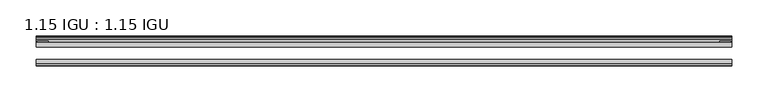
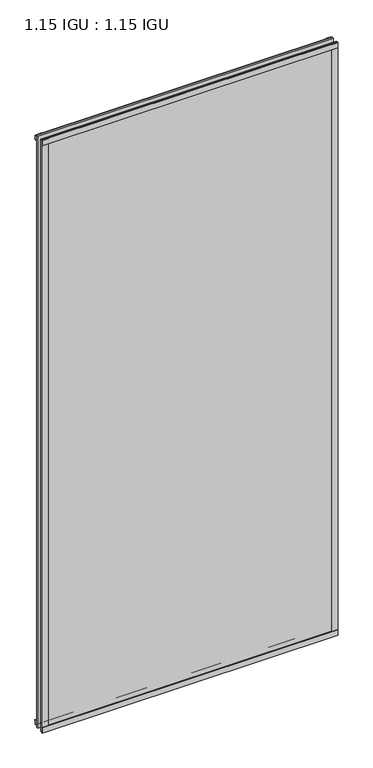
"""IFC4 building model written with IfcOpenShell, lengths in millimetres: plate geometry, 1.15 IGU : 1.15 IGU."""

import ifcopenshell
import ifcopenshell.guid

model = None  # the IFC model being written
_history = None  # IfcOwnerHistory: only IFC2X3 demands one
_inside = {}  # id of a spatial element -> (the spatial element, [elements in it])
_under = {}  # id of a project, library or spatial element -> (it, [spatial elements below it])
_declared = {}  # id of a project -> (the project, [libraries it declares])
_typed = {}  # id of a type object -> (the type object, [elements of that type])
_made_of = {}  # id of a material, layer set ... -> (it, [elements and type objects made of it])


def new_model(schema):
    """Start an empty IFC model of exactly this schema.

    Asked for "IFC4X3", IfcOpenShell would pick the latest addendum, in which some entities
    have other attributes; the version numbers below select the first issue.
    IFC2X3 requires an IfcOwnerHistory on every rooted entity: one is made here for all.
    """
    global model, _history
    if schema == "IFC4X3":
        model = ifcopenshell.file(schema_version=(4, 3, 0, 0))
    else:
        model = ifcopenshell.file(schema=schema)
    _inside.clear()
    _under.clear()
    _declared.clear()
    _typed.clear()
    _made_of.clear()
    _history = None
    if model.schema == "IFC2X3":
        org = make("IfcOrganization", Name="unknown")
        user = make(
            "IfcPersonAndOrganization",
            ThePerson=make("IfcPerson", FamilyName="unknown"),
            TheOrganization=org,
        )
        app = make(
            "IfcApplication",
            ApplicationDeveloper=org,
            Version="unknown",
            ApplicationFullName="unknown",
            ApplicationIdentifier="unknown",
        )
        _history = make(
            "IfcOwnerHistory",
            OwningUser=user,
            OwningApplication=app,
            ChangeAction="ADDED",
            CreationDate=0,
        )
    return model


def make(cls, **values):
    """One entity of the class cls with the attributes given. An attribute that is None is left unset."""
    return model.create_entity(
        cls, **{name: value for name, value in values.items() if value is not None}
    )


def rooted(cls, **values):
    """An entity with a GlobalId (a new one), such as an element, a storey or a relation."""
    return make(cls, GlobalId=ifcopenshell.guid.new(), OwnerHistory=_history, **values)


def si_unit(unit_type, name, prefix=None):
    """IfcSIUnit, for example si_unit("LENGTHUNIT", "METRE", prefix="MILLI")."""
    return make("IfcSIUnit", UnitType=unit_type, Prefix=prefix, Name=name)


def assignment(units):
    """IfcUnitAssignment: the units of a project."""
    return None if units is None else make("IfcUnitAssignment", Units=units)


def point(xyz):
    """IfcCartesianPoint."""
    return None if xyz is None else make("IfcCartesianPoint", Coordinates=xyz)


def direction(xyz):
    """IfcDirection."""
    return None if xyz is None else make("IfcDirection", DirectionRatios=xyz)


def frame(location, z_axis=None, x_axis=None):
    """IfcAxis2Placement3D, a coordinate frame: its origin and axes. An axis left out is left unset."""
    return make(
        "IfcAxis2Placement3D",
        Location=point(location),
        Axis=direction(z_axis),
        RefDirection=direction(x_axis),
    )


def frame_2d(location, x_axis=None):
    """IfcAxis2Placement2D, a coordinate frame in the plane: its origin and x axis."""
    return make(
        "IfcAxis2Placement2D", Location=point(location), RefDirection=direction(x_axis)
    )


def origin():
    """The frame at (0, 0, 0) with its axes left unset."""
    return frame((0.0, 0.0, 0.0))


def place(relative_to, where):
    """IfcLocalPlacement: puts the frame where relative to a parent placement (None: the world)."""
    return make(
        "IfcLocalPlacement", PlacementRelTo=relative_to, RelativePlacement=where
    )


def context(
    kind, dimensions, precision=None, world=None, true_north=None, identifier=None
):
    """IfcGeometricRepresentationContext, for example the 3D "Model" context."""
    return make(
        "IfcGeometricRepresentationContext",
        ContextIdentifier=identifier,
        ContextType=kind,
        CoordinateSpaceDimension=dimensions,
        Precision=precision,
        WorldCoordinateSystem=world,
        TrueNorth=true_north,
    )


def project(units=None, contexts=None):
    """IfcProject with its units and contexts."""
    return rooted(
        "IfcProject",
        Name="project",
        RepresentationContexts=contexts,
        UnitsInContext=assignment(units),
    )


def spatial(cls, under=None, at=None, **own):
    """A site, building, storey or space (cls), placed at a placement, below another one or the project."""
    s = rooted(cls, ObjectPlacement=at, **own)
    if under is not None:
        _under.setdefault(under.id(), (under, []))[1].append(s)
    return s


def polyline(points):
    """IfcPolyline through the points."""
    return make("IfcPolyline", Points=[point(p) for p in points])


def circle_curve(where, radius):
    """IfcCircle in the frame where."""
    return make("IfcCircle", Position=where, Radius=radius)


def trimmed(basis, trim1, trim2, sense, master):
    """IfcTrimmedCurve: the piece of a basis curve between two trims."""
    return make(
        "IfcTrimmedCurve",
        BasisCurve=basis,
        Trim1=trim1,
        Trim2=trim2,
        SenseAgreement=sense,
        MasterRepresentation=master,
    )


def segment(curve, same_sense, transition):
    """IfcCompositeCurveSegment."""
    return make(
        "IfcCompositeCurveSegment",
        Transition=transition,
        SameSense=same_sense,
        ParentCurve=curve,
    )


def composite_curve(segments, self_intersect=None):
    """IfcCompositeCurve: segments joined end to end."""
    return make("IfcCompositeCurve", Segments=segments, SelfIntersect=self_intersect)


def outline(outer, holes=None, kind="AREA"):
    """IfcArbitraryClosedProfileDef: a profile drawn as a closed curve; with holes, ...WithVoids."""
    if holes is None:
        return make("IfcArbitraryClosedProfileDef", ProfileType=kind, OuterCurve=outer)
    return make(
        "IfcArbitraryProfileDefWithVoids",
        ProfileType=kind,
        OuterCurve=outer,
        InnerCurves=holes,
    )


def extrude(swept, where, along, depth):
    """IfcExtrudedAreaSolid: the profile swept, set in the frame where, extruded along a direction by depth."""
    return make(
        "IfcExtrudedAreaSolid",
        SweptArea=swept,
        Position=where,
        ExtrudedDirection=direction(along),
        Depth=depth,
    )


def shape(context_of_items, identifier, shape_type, items):
    """IfcShapeRepresentation: the items that make up one representation, for example the "Body"."""
    return make(
        "IfcShapeRepresentation",
        ContextOfItems=context_of_items,
        RepresentationIdentifier=identifier,
        RepresentationType=shape_type,
        Items=items,
    )


def source(mapping_origin, context_of_items, identifier, shape_type, items):
    """IfcRepresentationMap: a shape defined once, which mapped items show again and again."""
    return make(
        "IfcRepresentationMap",
        MappingOrigin=mapping_origin,
        MappedRepresentation=shape(context_of_items, identifier, shape_type, items),
    )


def transform(
    local_origin,
    x_axis=None,
    y_axis=None,
    z_axis=None,
    scale=None,
    scale2=None,
    scale3=None,
    uniform=True,
):
    """IfcCartesianTransformationOperator3D, or its non-uniform kind. x_axis, y_axis, z_axis: its Axis1, 2, 3."""
    if uniform:
        return make(
            "IfcCartesianTransformationOperator3D",
            Axis1=direction(x_axis),
            Axis2=direction(y_axis),
            LocalOrigin=point(local_origin),
            Scale=scale,
            Axis3=direction(z_axis),
        )
    return make(
        "IfcCartesianTransformationOperator3DnonUniform",
        Axis1=direction(x_axis),
        Axis2=direction(y_axis),
        LocalOrigin=point(local_origin),
        Scale=scale,
        Axis3=direction(z_axis),
        Scale2=scale2,
        Scale3=scale3,
    )


def mapped(mapping_source, mapping_target):
    """IfcMappedItem: shows the shape of a source again, moved by a transform."""
    return make(
        "IfcMappedItem", MappingSource=mapping_source, MappingTarget=mapping_target
    )


def made_of(thing, what):
    """Note that an element or type object is made of a material, layer set ...; save() writes the relation."""
    if what is not None:
        _made_of.setdefault(what.id(), (what, []))[1].append(thing)
    return thing


def element(
    cls,
    number,
    at=None,
    inside=None,
    cuts=None,
    type_object=None,
    material=None,
    context=None,
    identifier="Body",
    shape_type=None,
    held_by="IfcProductDefinitionShape",
    body=None,
    shapes=None,
    **own,
):
    """One element of the class cls, such as IfcWall. Its Tag is "e" and its number.

    at: its placement. inside: the storey or other place that contains it. cuts: it is an
    opening in that element (IfcRelVoidsElement). A single representation is given by context,
    identifier, shape_type and body (its items); several are given by shapes. held_by: the class
    of the entity that holds the representations. save() writes the other relations.
    """
    e = rooted(cls, Tag="e%d" % number, ObjectPlacement=at, **own)
    if body is not None:
        shapes = [shape(context, identifier, shape_type, body)]
    if shapes is not None:
        e.Representation = make(held_by, Representations=shapes)
    if inside is not None:
        _inside.setdefault(inside.id(), (inside, []))[1].append(e)
    if cuts is not None:
        rooted(
            "IfcRelVoidsElement", RelatingBuildingElement=cuts, RelatedOpeningElement=e
        )
    if type_object is not None:
        _typed.setdefault(type_object.id(), (type_object, []))[1].append(e)
    return made_of(e, material)


def aggregate(whole, parts):
    """IfcRelAggregates: a whole, such as a stair, and the parts it consists of."""
    return rooted("IfcRelAggregates", RelatingObject=whole, RelatedObjects=parts)


def save(model, path):
    """Write the relations noted so far, then the file.

    IfcRelAggregates (storeys below a building ...), IfcRelContainedInSpatialStructure (elements
    in a storey), IfcRelDefinesByType, IfcRelAssociatesMaterial and IfcRelDeclares: one each for
    every whole, place, type object, material and project.
    """
    for whole, parts in _under.values():
        aggregate(whole, parts)
    for where, things in _inside.values():
        rooted(
            "IfcRelContainedInSpatialStructure",
            RelatedElements=things,
            RelatingStructure=where,
        )
    for kind, things in _typed.values():
        rooted("IfcRelDefinesByType", RelatedObjects=things, RelatingType=kind)
    for what, things in _made_of.values():
        rooted("IfcRelAssociatesMaterial", RelatedObjects=things, RelatingMaterial=what)
    for by, libraries in _declared.values():
        rooted("IfcRelDeclares", RelatingContext=by, RelatedDefinitions=libraries)
    model.write(path)


def plate_1_15_igu_1_15_igu_8f619c3c(model_context):
    return source(origin(), model_context, "Body", "SweptSolid", [
        extrude(outline(polyline([(481.33, 0.0), (481.33, -6.2992), (-481.33, -6.2992), (-481.33, 0.0), (481.33, 0.0)])), frame((0.0, 0.0, -17.4498), z_axis=(0.0, 0.0, 1.0), x_axis=(1.0, 0.0, 0.0)), (0.0, 0.0, 1.0), 2035.1578337),
        extrude(outline(polyline([(-481.33, -23.1648), (481.33, -23.1648), (481.33, -29.464), (-481.33, -29.464), (-481.33, -23.1648)])), frame((0.0, 0.0, -17.4498), z_axis=(0.0, 0.0, 1.0), x_axis=(1.0, 0.0, 0.0)), (0.0, 0.0, 1.0), 2035.1578337),
        extrude(outline(polyline([(-481.33, -31.75), (-481.33, -29.464), (481.33, -29.464), (481.33, -31.75), (-481.33, -31.75)])), frame((0.0, 0.0, -19.05), z_axis=(0.0, 0.0, 1.0), x_axis=(1.0, 0.0, 0.0)), (0.0, 0.0, 1.0), 19.05),
        extrude(outline(composite_curve([segment(trimmed(circle_curve(frame_2d((13.6593785, 32.4202472)), 31.3046461), [point((0.0, 4.2528503))], [point((9.3980339, 1.406995))], True, "CARTESIAN"), True, "CONTINUOUS"), segment(polyline([(9.3980339, 1.406995), (9.3980339, 0.0254), (6.35, 0.0254), (6.35, -5.1625788), (7.7309478, -5.3970663), (6.35, -8.0073788), (6.35, -11.8471127)]), True, "CONTINUOUS"), segment(trimmed(circle_curve(frame_2d((5.334, -11.8471127)), 1.016), [point((6.35, -11.8471127))], [point((4.6284878, -12.5782136))], False, "CARTESIAN"), True, "CONTINUOUS"), segment(trimmed(circle_curve(frame_2d((-23.3689302, -41.5910901)), 40.3187601), [point((4.6284878, -12.5782136))], [point((0.0, -8.735413))], True, "CARTESIAN"), True, "CONTINUOUS"), segment(polyline([(0.0, -8.735413), (0.0, 4.2528503)]), True, "CONTINUOUS")], self_intersect=False)), frame((-481.33, 0.0, 0.0), z_axis=(1.0, 0.0, 0.0), x_axis=(0.0, 1.0, 0.0)), (0.0, 0.0, 1.0), 962.66),
        extrude(outline(composite_curve([segment(trimmed(circle_curve(frame_2d((-23.3689302, 2041.8747237)), 40.3187601), [point((0.0, 2009.0190467))], [point((4.9746073, 2013.1998864))], True, "CARTESIAN"), True, "CONTINUOUS"), segment(trimmed(circle_curve(frame_2d((5.8674, 2012.2966582)), 1.27), [point((4.9746073, 2013.1998864))], [point((7.1374, 2012.2966582))], False, "CARTESIAN"), True, "CONTINUOUS"), segment(polyline([(7.1374, 2012.2966582), (7.1374, 2007.8958505), (7.7309478, 2005.6806999), (6.35, 2005.4462125), (6.35, 2000.2582337), (9.3980339, 2000.2582337), (9.3980339, 1998.8766387)]), True, "CONTINUOUS"), segment(trimmed(circle_curve(frame_2d((13.6593785, 1967.8633864)), 31.3046461), [point((9.3980339, 1998.8766387))], [point((0.0, 1996.0307834))], True, "CARTESIAN"), True, "CONTINUOUS"), segment(polyline([(0.0, 1996.0307834), (0.0, 2009.0190467)]), True, "CONTINUOUS")], self_intersect=False)), frame((-481.33, 0.0, 0.0), z_axis=(1.0, 0.0, 0.0), x_axis=(0.0, 1.0, 0.0)), (0.0, 0.0, 1.0), 962.66),
        extrude(outline(polyline([(-481.33, -31.75), (-481.33, -29.464), (481.33, -29.464), (481.33, -31.75), (-481.33, -31.75)])), frame((0.0, 0.0, 2000.2582337), z_axis=(0.0, 0.0, 1.0), x_axis=(1.0, 0.0, 0.0)), (0.0, 0.0, 1.0), 19.05),
        extrude(outline(polyline([(462.28, -29.464), (481.33, -29.464), (481.33, -31.75), (462.28, -31.75), (462.28, -29.464)])), frame((0.0, 0.0, -17.4498), z_axis=(0.0, 0.0, 1.0), x_axis=(1.0, 0.0, 0.0)), (0.0, 0.0, 1.0), 2035.1578337),
        extrude(outline(polyline([(480.1235, 2.2860088), (480.1235, 0.0021347), (464.2485, 0.0021347), (464.2485, 2.2860088), (480.1235, 2.2860088)])), frame((0.0, 0.0, -17.4498), z_axis=(0.0, 0.0, 1.0), x_axis=(1.0, 0.0, 0.0)), (0.0, 0.0, 1.0), 2035.1578337),
        extrude(outline(polyline([(-481.33, -31.75), (-481.33, -29.464), (-462.28, -29.464), (-462.28, -31.75), (-481.33, -31.75)])), frame((0.0, 0.0, -17.4498), z_axis=(0.0, 0.0, 1.0), x_axis=(1.0, 0.0, 0.0)), (0.0, 0.0, 1.0), 2035.1578337),
        extrude(outline(polyline([(-480.1235, 0.0), (-480.1235, 2.286), (-464.2485, 2.286), (-464.2485, 0.0), (-480.1235, 0.0)])), frame((0.0, 0.0, -17.4498), z_axis=(0.0, 0.0, 1.0), x_axis=(1.0, 0.0, 0.0)), (0.0, 0.0, 1.0), 2035.1578337),
    ])


if __name__ == "__main__":
    model = new_model("IFC4")
    model_context = context("Model", 3, world=origin())
    ifc_project = project(units=[si_unit("LENGTHUNIT", "METRE", prefix="MILLI")], contexts=[model_context])
    site = spatial("IfcSite", under=ifc_project)
    building = spatial("IfcBuilding", under=site)
    placement = place(None, origin())
    plate_1_15_igu_1_15_igu_shape = plate_1_15_igu_1_15_igu_8f619c3c(model_context)
    element("IfcPlate", 1, ObjectType="1.15 IGU : 1.15 IGU", at=placement, inside=building, context=model_context, shape_type="MappedRepresentation", body=[
        mapped(plate_1_15_igu_1_15_igu_shape, transform((0.0, 0.0, 0.0), x_axis=(1.0, 0.0, 0.0), y_axis=(0.0, 1.0, 0.0), z_axis=(0.0, 0.0, 1.0))),
    ])
    save(model, "model.ifc")
